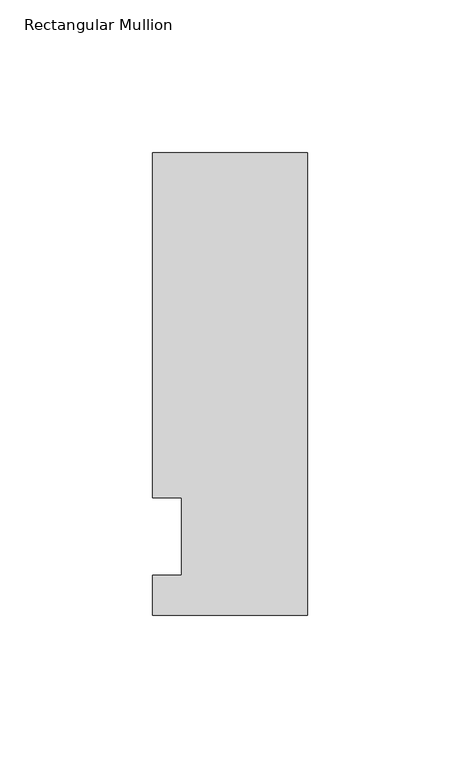
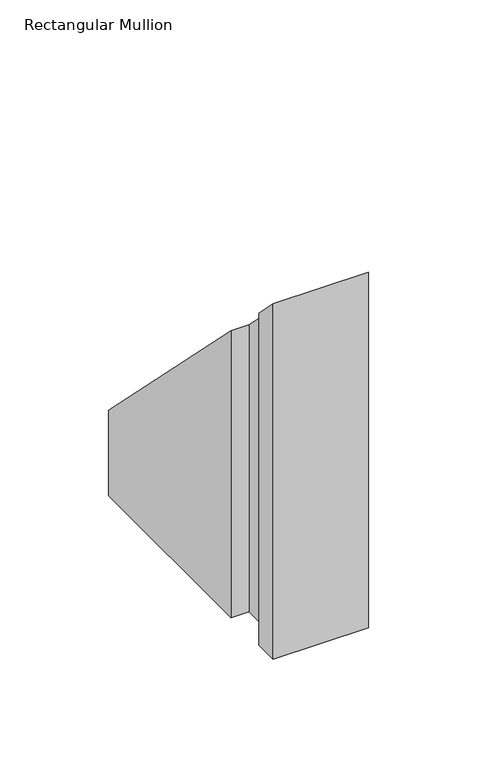
"""IFC4 building model written with IfcOpenShell, lengths in millimetres: member geometry, Rectangular Mullion."""

import ifcopenshell
import ifcopenshell.guid

model = None  # the IFC model being written
_history = None  # IfcOwnerHistory: only IFC2X3 demands one
_inside = {}  # id of a spatial element -> (the spatial element, [elements in it])
_under = {}  # id of a project, library or spatial element -> (it, [spatial elements below it])
_declared = {}  # id of a project -> (the project, [libraries it declares])
_typed = {}  # id of a type object -> (the type object, [elements of that type])
_made_of = {}  # id of a material, layer set ... -> (it, [elements and type objects made of it])


def new_model(schema):
    """Start an empty IFC model of exactly this schema.

    Asked for "IFC4X3", IfcOpenShell would pick the latest addendum, in which some entities
    have other attributes; the version numbers below select the first issue.
    IFC2X3 requires an IfcOwnerHistory on every rooted entity: one is made here for all.
    """
    global model, _history
    if schema == "IFC4X3":
        model = ifcopenshell.file(schema_version=(4, 3, 0, 0))
    else:
        model = ifcopenshell.file(schema=schema)
    _inside.clear()
    _under.clear()
    _declared.clear()
    _typed.clear()
    _made_of.clear()
    _history = None
    if model.schema == "IFC2X3":
        org = make("IfcOrganization", Name="unknown")
        user = make(
            "IfcPersonAndOrganization",
            ThePerson=make("IfcPerson", FamilyName="unknown"),
            TheOrganization=org,
        )
        app = make(
            "IfcApplication",
            ApplicationDeveloper=org,
            Version="unknown",
            ApplicationFullName="unknown",
            ApplicationIdentifier="unknown",
        )
        _history = make(
            "IfcOwnerHistory",
            OwningUser=user,
            OwningApplication=app,
            ChangeAction="ADDED",
            CreationDate=0,
        )
    return model


def make(cls, **values):
    """One entity of the class cls with the attributes given. An attribute that is None is left unset."""
    return model.create_entity(
        cls, **{name: value for name, value in values.items() if value is not None}
    )


def rooted(cls, **values):
    """An entity with a GlobalId (a new one), such as an element, a storey or a relation."""
    return make(cls, GlobalId=ifcopenshell.guid.new(), OwnerHistory=_history, **values)


def si_unit(unit_type, name, prefix=None):
    """IfcSIUnit, for example si_unit("LENGTHUNIT", "METRE", prefix="MILLI")."""
    return make("IfcSIUnit", UnitType=unit_type, Prefix=prefix, Name=name)


def assignment(units):
    """IfcUnitAssignment: the units of a project."""
    return None if units is None else make("IfcUnitAssignment", Units=units)


def point(xyz):
    """IfcCartesianPoint."""
    return None if xyz is None else make("IfcCartesianPoint", Coordinates=xyz)


def direction(xyz):
    """IfcDirection."""
    return None if xyz is None else make("IfcDirection", DirectionRatios=xyz)


def frame(location, z_axis=None, x_axis=None):
    """IfcAxis2Placement3D, a coordinate frame: its origin and axes. An axis left out is left unset."""
    return make(
        "IfcAxis2Placement3D",
        Location=point(location),
        Axis=direction(z_axis),
        RefDirection=direction(x_axis),
    )


def origin():
    """The frame at (0, 0, 0) with its axes left unset."""
    return frame((0.0, 0.0, 0.0))


def place(relative_to, where):
    """IfcLocalPlacement: puts the frame where relative to a parent placement (None: the world)."""
    return make(
        "IfcLocalPlacement", PlacementRelTo=relative_to, RelativePlacement=where
    )


def context(
    kind, dimensions, precision=None, world=None, true_north=None, identifier=None
):
    """IfcGeometricRepresentationContext, for example the 3D "Model" context."""
    return make(
        "IfcGeometricRepresentationContext",
        ContextIdentifier=identifier,
        ContextType=kind,
        CoordinateSpaceDimension=dimensions,
        Precision=precision,
        WorldCoordinateSystem=world,
        TrueNorth=true_north,
    )


def project(units=None, contexts=None):
    """IfcProject with its units and contexts."""
    return rooted(
        "IfcProject",
        Name="project",
        RepresentationContexts=contexts,
        UnitsInContext=assignment(units),
    )


def spatial(cls, under=None, at=None, **own):
    """A site, building, storey or space (cls), placed at a placement, below another one or the project."""
    s = rooted(cls, ObjectPlacement=at, **own)
    if under is not None:
        _under.setdefault(under.id(), (under, []))[1].append(s)
    return s


def faces_of(points, faces, orient=None, outer=None):
    """IfcFace entities. A face is a list of loops; a loop is a list of indices into points, from 0.

    orient and outer hold one flag for each loop. By default every Orientation is true, the
    first loop of a face is its IfcFaceOuterBound and the others are IfcFaceBound.
    """
    made = []
    for i, loops in enumerate(faces):
        bounds = []
        for j, loop in enumerate(loops):
            is_outer = j == 0 if outer is None else outer[i][j]
            bounds.append(
                make(
                    "IfcFaceOuterBound" if is_outer else "IfcFaceBound",
                    Bound=make("IfcPolyLoop", Polygon=[points[k] for k in loop]),
                    Orientation=True if orient is None else orient[i][j],
                )
            )
        made.append(make("IfcFace", Bounds=bounds))
    return made


def faceted_brep(points, faces, orient=None, outer=None, voids=None):
    """IfcFacetedBrep: a solid bounded by flat faces; with voids (closed shells), ...WithVoids."""
    shared = [point(p) for p in points]
    hull = make("IfcClosedShell", CfsFaces=faces_of(shared, faces, orient, outer))
    if voids is None:
        return make("IfcFacetedBrep", Outer=hull)
    return make(
        "IfcFacetedBrepWithVoids",
        Outer=hull,
        Voids=[
            make(cls, CfsFaces=faces_of(shared, fs, o, b)) for cls, fs, o, b in voids
        ],
    )


def shape(context_of_items, identifier, shape_type, items):
    """IfcShapeRepresentation: the items that make up one representation, for example the "Body"."""
    return make(
        "IfcShapeRepresentation",
        ContextOfItems=context_of_items,
        RepresentationIdentifier=identifier,
        RepresentationType=shape_type,
        Items=items,
    )


def source(mapping_origin, context_of_items, identifier, shape_type, items):
    """IfcRepresentationMap: a shape defined once, which mapped items show again and again."""
    return make(
        "IfcRepresentationMap",
        MappingOrigin=mapping_origin,
        MappedRepresentation=shape(context_of_items, identifier, shape_type, items),
    )


def transform(
    local_origin,
    x_axis=None,
    y_axis=None,
    z_axis=None,
    scale=None,
    scale2=None,
    scale3=None,
    uniform=True,
):
    """IfcCartesianTransformationOperator3D, or its non-uniform kind. x_axis, y_axis, z_axis: its Axis1, 2, 3."""
    if uniform:
        return make(
            "IfcCartesianTransformationOperator3D",
            Axis1=direction(x_axis),
            Axis2=direction(y_axis),
            LocalOrigin=point(local_origin),
            Scale=scale,
            Axis3=direction(z_axis),
        )
    return make(
        "IfcCartesianTransformationOperator3DnonUniform",
        Axis1=direction(x_axis),
        Axis2=direction(y_axis),
        LocalOrigin=point(local_origin),
        Scale=scale,
        Axis3=direction(z_axis),
        Scale2=scale2,
        Scale3=scale3,
    )


def mapped(mapping_source, mapping_target):
    """IfcMappedItem: shows the shape of a source again, moved by a transform."""
    return make(
        "IfcMappedItem", MappingSource=mapping_source, MappingTarget=mapping_target
    )


def made_of(thing, what):
    """Note that an element or type object is made of a material, layer set ...; save() writes the relation."""
    if what is not None:
        _made_of.setdefault(what.id(), (what, []))[1].append(thing)
    return thing


def element(
    cls,
    number,
    at=None,
    inside=None,
    cuts=None,
    type_object=None,
    material=None,
    context=None,
    identifier="Body",
    shape_type=None,
    held_by="IfcProductDefinitionShape",
    body=None,
    shapes=None,
    **own,
):
    """One element of the class cls, such as IfcWall. Its Tag is "e" and its number.

    at: its placement. inside: the storey or other place that contains it. cuts: it is an
    opening in that element (IfcRelVoidsElement). A single representation is given by context,
    identifier, shape_type and body (its items); several are given by shapes. held_by: the class
    of the entity that holds the representations. save() writes the other relations.
    """
    e = rooted(cls, Tag="e%d" % number, ObjectPlacement=at, **own)
    if body is not None:
        shapes = [shape(context, identifier, shape_type, body)]
    if shapes is not None:
        e.Representation = make(held_by, Representations=shapes)
    if inside is not None:
        _inside.setdefault(inside.id(), (inside, []))[1].append(e)
    if cuts is not None:
        rooted(
            "IfcRelVoidsElement", RelatingBuildingElement=cuts, RelatedOpeningElement=e
        )
    if type_object is not None:
        _typed.setdefault(type_object.id(), (type_object, []))[1].append(e)
    return made_of(e, material)


def aggregate(whole, parts):
    """IfcRelAggregates: a whole, such as a stair, and the parts it consists of."""
    return rooted("IfcRelAggregates", RelatingObject=whole, RelatedObjects=parts)


def save(model, path):
    """Write the relations noted so far, then the file.

    IfcRelAggregates (storeys below a building ...), IfcRelContainedInSpatialStructure (elements
    in a storey), IfcRelDefinesByType, IfcRelAssociatesMaterial and IfcRelDeclares: one each for
    every whole, place, type object, material and project.
    """
    for whole, parts in _under.values():
        aggregate(whole, parts)
    for where, things in _inside.values():
        rooted(
            "IfcRelContainedInSpatialStructure",
            RelatedElements=things,
            RelatingStructure=where,
        )
    for kind, things in _typed.values():
        rooted("IfcRelDefinesByType", RelatedObjects=things, RelatingType=kind)
    for what, things in _made_of.values():
        rooted("IfcRelAssociatesMaterial", RelatedObjects=things, RelatingMaterial=what)
    for by, libraries in _declared.values():
        rooted("IfcRelDeclares", RelatingContext=by, RelatedDefinitions=libraries)
    model.write(path)


def rectangular_mullion_75f7bb31(model_context):
    return source(origin(), model_context, "Body", "Brep", [
        faceted_brep([(-50.8, -25.7961253, -173.983587), (-50.8, -12.7, -173.983587), (-41.275, -12.7, -173.983587), (-41.275, 12.7, -173.983587), (-50.8, 12.7, -173.983587), (-50.8, 125.8036906, -173.983587), (0.0, 125.8036906, -173.983587), (0.0, -25.7961253, -173.983587), (0.0, -25.7961253, 25.7961253), (-50.8, -25.7961253, 25.7961253), (0.0, 125.8036906, -125.8036906), (-50.8, 125.8036906, -125.8036906), (-50.8, 12.7, -12.7), (-41.275, 12.7, -12.7), (-41.275, -12.7, 12.7), (-50.8, -12.7, 12.7)], [[[0, 1, 2, 3, 4, 5, 6, 7]], [[8, 9, 0, 7]], [[10, 8, 7, 6]], [[11, 10, 6, 5]], [[12, 11, 5, 4]], [[13, 12, 4, 3]], [[14, 13, 3, 2]], [[15, 14, 2, 1]], [[9, 15, 1, 0]], [[9, 8, 10, 11, 12, 13, 14, 15]]]),
    ])


if __name__ == "__main__":
    model = new_model("IFC4")
    model_context = context("Model", 3, world=origin())
    ifc_project = project(units=[si_unit("LENGTHUNIT", "METRE", prefix="MILLI")], contexts=[model_context])
    site = spatial("IfcSite", under=ifc_project)
    building = spatial("IfcBuilding", under=site)
    placement = place(None, origin())
    rectangular_mullion_shape = rectangular_mullion_75f7bb31(model_context)
    element("IfcMember", 1, ObjectType="Rectangular Mullion", at=placement, inside=building, context=model_context, shape_type="MappedRepresentation", body=[
        mapped(rectangular_mullion_shape, transform((0.0, 0.0, 0.0), x_axis=(1.0, 0.0, 0.0), y_axis=(0.0, 1.0, 0.0), z_axis=(0.0, 0.0, 1.0))),
    ])
    save(model, "model.ifc")
